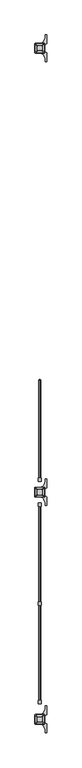
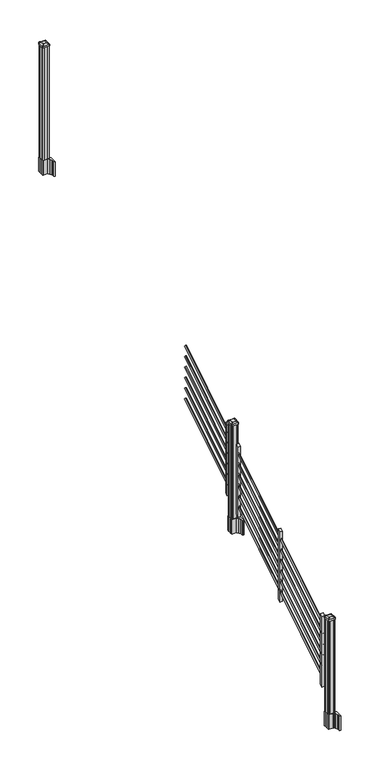
"""IFC4 building model written with IfcOpenShell, lengths in millimetres: railing geometry."""

from ifc_helpers import new_model, si_unit, point, frame, frame_2d, origin, origin_2d, place, context, project, spatial, polyline, circle_curve, trimmed, segment, composite_curve, outline, extrude, source, transform, mapped, element, save
from ifc_brep_helpers import plane_surface, extruded_surface, advanced_brep


def railing_5e5f2923(model_context):
    return source(origin(), model_context, "Body", "SolidModel", [
        extrude(outline(composite_curve([segment(trimmed(circle_curve(origin_2d(), 8.001), [point((0.0, -8.001))], [point((0.0, 8.001))], False, "CARTESIAN"), True, "CONTINUOUS"), segment(trimmed(circle_curve(origin_2d(), 8.001), [point((0.0, 8.001))], [point((0.0, -8.001))], False, "CARTESIAN"), True, "CONTINUOUS")], self_intersect=False)), frame((5940.7759347, -141000.6468453, 1529.9546159), z_axis=(0.0, 0.8479983040051254, 0.5299989400031201), x_axis=(-1.0, 0.0, 0.0)), (0.0, 0.0, 1.0), 868.6338127),
        extrude(outline(composite_curve([segment(trimmed(circle_curve(origin_2d(), 8.001), [point((0.0, -8.001))], [point((0.0, 8.001))], False, "CARTESIAN"), True, "CONTINUOUS"), segment(trimmed(circle_curve(origin_2d(), 8.001), [point((0.0, 8.001))], [point((0.0, -8.001))], False, "CARTESIAN"), True, "CONTINUOUS")], self_intersect=False)), frame((5940.7759347, -141000.6468453, 1641.1445274), z_axis=(0.0, 0.8479983040051253, 0.5299989400031203), x_axis=(-1.0, 0.0, 0.0)), (0.0, 0.0, 1.0), 868.6338127),
        extrude(outline(composite_curve([segment(trimmed(circle_curve(origin_2d(), 8.001), [point((0.0, -8.001))], [point((0.0, 8.001))], False, "CARTESIAN"), True, "CONTINUOUS"), segment(trimmed(circle_curve(origin_2d(), 8.001), [point((0.0, 8.001))], [point((0.0, -8.001))], False, "CARTESIAN"), True, "CONTINUOUS")], self_intersect=False)), frame((5940.7759347, -141000.6468453, 1752.334439), z_axis=(0.0, 0.8479983040051253, 0.5299989400031203), x_axis=(-1.0, 0.0, 0.0)), (0.0, 0.0, 1.0), 868.6338127),
        extrude(outline(composite_curve([segment(trimmed(circle_curve(origin_2d(), 8.001), [point((0.0, -8.001))], [point((0.0, 8.001))], False, "CARTESIAN"), True, "CONTINUOUS"), segment(trimmed(circle_curve(origin_2d(), 8.001), [point((0.0, 8.001))], [point((0.0, -8.001))], False, "CARTESIAN"), True, "CONTINUOUS")], self_intersect=False)), frame((5940.7759347, -141000.6468453, 1863.5243506), z_axis=(0.0, 0.8479983040051253, 0.5299989400031203), x_axis=(-1.0, 0.0, 0.0)), (0.0, 0.0, 1.0), 868.6338127),
        extrude(outline(composite_curve([segment(trimmed(circle_curve(origin_2d(), 8.001), [point((0.0, -8.001))], [point((0.0, 8.001))], False, "CARTESIAN"), True, "CONTINUOUS"), segment(trimmed(circle_curve(origin_2d(), 8.001), [point((0.0, 8.001))], [point((0.0, -8.001))], False, "CARTESIAN"), True, "CONTINUOUS")], self_intersect=False)), frame((5940.7759347, -141000.6468453, 1974.7142622), z_axis=(0.0, 0.8479983040051254, 0.5299989400031202), x_axis=(-1.0, 0.0, 0.0)), (0.0, 0.0, 1.0), 868.6338127),
        extrude(outline(composite_curve([segment(trimmed(circle_curve(origin_2d(), 8.001), [point((0.0, -8.001))], [point((0.0, 8.001))], False, "CARTESIAN"), True, "CONTINUOUS"), segment(trimmed(circle_curve(origin_2d(), 8.001), [point((0.0, 8.001))], [point((0.0, -8.001))], False, "CARTESIAN"), True, "CONTINUOUS")], self_intersect=False)), frame((5940.7759347, -141000.6468453, 2085.9041737), z_axis=(0.0, 0.8479983040051253, 0.5299989400031202), x_axis=(-1.0, 0.0, 0.0)), (0.0, 0.0, 1.0), 868.6338127),
        extrude(outline(polyline([(-140982.8668453, 1439.9853781), (-141008.2668453, 1424.1103781), (-141008.2668453, 2165.0325), (-140982.8668453, 2180.9075), (-140982.8668453, 1439.9853781)])), frame((5927.7657728, 0.0, 0.0), z_axis=(1.0, 0.0, 0.0), x_axis=(0.0, 1.0, 0.0)), (0.0, 0.0, 1.0), 25.4),
        extrude(outline(composite_curve([segment(polyline([(5907.4140228, -141106.1709401), (5907.4140228, -141071.9067504), (5905.8265228, -141071.1447504), (5905.8265228, -141057.6138224), (5909.0407498, -141054.3995953), (5960.7214206, -141054.3995953), (5960.7214206, -141053.4788453), (5956.3710895, -141053.4788453), (5956.3710895, -141052.0245906), (5951.9976348, -141052.0245906), (5951.9976348, -141050.7405668), (5953.664907, -141050.7405668)]), True, "CONTINUOUS"), segment(trimmed(circle_curve(frame_2d((5953.664907, -141033.9973569)), 16.7432099), [point((5953.664907, -141050.7405668))], [point((5970.2870293, -141036.0073636))], True, "CARTESIAN"), True, "CONTINUOUS"), segment(polyline([(5970.2870293, -141036.0073636), (5978.0024736, -141018.9720251)]), True, "CONTINUOUS"), segment(trimmed(circle_curve(frame_2d((5932.9017103, -141002.6999755)), 47.9464123), [point((5978.0024736, -141018.9720251))], [point((5980.8481226, -141002.6999755))], True, "CARTESIAN"), True, "CONTINUOUS"), segment(polyline([(5980.8481226, -141002.6999755), (5980.8481226, -140990.6912359), (5993.0517103, -140990.6912359), (5993.0517103, -141055.9870953), (5975.1050228, -141067.5635116), (5975.1050228, -141071.1447504), (5973.5175228, -141071.9067504), (5973.5175228, -141106.1709401), (5975.1050228, -141106.9329401), (5975.1050228, -141110.514179), (5993.0517103, -141122.0905953), (5993.0517103, -141187.3864547), (5980.8481226, -141187.3864547), (5980.8481226, -141175.3777151)]), True, "CONTINUOUS"), segment(trimmed(circle_curve(frame_2d((5932.9017103, -141175.3777151)), 47.9464123), [point((5980.8481226, -141175.3777151))], [point((5978.0024736, -141159.1056654))], True, "CARTESIAN"), True, "CONTINUOUS"), segment(polyline([(5978.0024736, -141159.1056654), (5970.2870293, -141142.070327)]), True, "CONTINUOUS"), segment(trimmed(circle_curve(frame_2d((5953.664907, -141144.0803337)), 16.7432099), [point((5970.2870293, -141142.070327))], [point((5953.664907, -141127.3371238))], True, "CARTESIAN"), True, "CONTINUOUS"), segment(polyline([(5953.664907, -141127.3371238), (5961.4556192, -141127.3371238), (5961.4556192, -141126.0531), (5956.3710895, -141126.0531), (5956.3710895, -141124.5988453), (5960.7214206, -141124.5988453), (5960.7214206, -141123.6780953), (5909.0407498, -141123.6780953), (5905.8265228, -141120.4638682), (5905.8265228, -141106.9329401), (5907.4140228, -141106.1709401)]), True, "CONTINUOUS")], self_intersect=False), holes=[polyline([(5972.2157728, -141058.8763453), (5970.6282728, -141057.2888453), (5943.2289902, -141057.2888453), (5910.3032728, -141057.2888453), (5908.7157728, -141058.8763453), (5908.7157728, -141119.2013453), (5910.3032728, -141120.7888453), (5943.2289902, -141120.7888453), (5970.6282728, -141120.7888453), (5972.2157728, -141119.2013453), (5972.2157728, -141058.8763453)])]), frame((0.0, 0.0, 1094.74), z_axis=(0.0, 0.0, 1.0), x_axis=(1.0, 0.0, 0.0)), (0.0, 0.0, 1.0), 152.4),
        advanced_brep(
        [(5956.3407728, -141108.0888453, 2260.089263), (5959.5157728, -141104.9138453, 2260.089263), (5959.5157728, -141073.1638453, 2260.089263), (5956.3407728, -141069.9888453, 2260.089263), (5924.5907728, -141069.9888453, 2260.089263), (5921.4157728, -141073.1638453, 2260.089263), (5921.4157728, -141104.9138453, 2260.089263), (5924.5907728, -141108.0888453, 2260.089263), (5972.8507728, -141124.5988453, 2248.786263), (5908.0807728, -141124.5988453, 2248.786263), (5904.9057728, -141121.4238453, 2248.786263), (5904.9057728, -141056.6538453, 2248.786263), (5908.0807728, -141053.4788453, 2248.786263), (5972.8507728, -141053.4788453, 2248.786263), (5976.0257728, -141056.6538453, 2248.786263), (5976.0257728, -141121.4238453, 2248.786263)],
        [
            (0, 1, circle_curve(frame((5956.3407728, -141104.9138453, 2260.089263), z_axis=(0.0, 0.0, 1.0), x_axis=(0.0, 1.0, 0.0)), 3.175)),
            (1, 2),
            (2, 3, circle_curve(frame((5956.3407728, -141073.1638453, 2260.089263), z_axis=(0.0, 0.0, 1.0), x_axis=(0.0, 1.0, 0.0)), 3.175)),
            (3, 4),
            (4, 5, circle_curve(frame((5924.5907728, -141073.1638453, 2260.089263), z_axis=(0.0, 0.0, 1.0), x_axis=(0.0, 1.0, 0.0)), 3.175)),
            (5, 6),
            (6, 7, circle_curve(frame((5924.5907728, -141104.9138453, 2260.089263), z_axis=(0.0, 0.0, 1.0), x_axis=(0.0, 1.0, 0.0)), 3.175)),
            (7, 0),
            (8, 9),
            (9, 10, circle_curve(frame((5908.0807728, -141121.4238453, 2248.786263), z_axis=(0.0, 0.0, -1.0), x_axis=(0.0, 1.0, 0.0)), 3.175)),
            (10, 11),
            (11, 12, circle_curve(frame((5908.0807728, -141056.6538453, 2248.786263), z_axis=(0.0, 0.0, -1.0), x_axis=(0.0, 1.0, 0.0)), 3.175)),
            (12, 13),
            (13, 14, circle_curve(frame((5972.8507728, -141056.6538453, 2248.786263), z_axis=(0.0, 0.0, -1.0), x_axis=(0.0, 1.0, 0.0)), 3.175)),
            (14, 15),
            (15, 8, circle_curve(frame((5972.8507728, -141121.4238453, 2248.786263), z_axis=(0.0, 0.0, -1.0), x_axis=(0.0, 1.0, 0.0)), 3.175)),
            (15, 1),
            (0, 8),
            (14, 2),
            (13, 3),
            (12, 4),
            (11, 5),
            (10, 6),
            (9, 7),
        ],
        [
            plane_surface(frame((5940.4657728, -141089.0388453, 2260.089263), z_axis=(0.0, 0.0, 1.0), x_axis=(1.0, 0.0, 0.0))),
            plane_surface(frame((5940.4657728, -141089.0388453, 2248.786263), z_axis=(0.0, 0.0, -1.0), x_axis=(1.0, 0.0, 0.0))),
            extruded_surface(trimmed(circle_curve(frame((5972.8507728, -141121.4238453, 2248.786263), z_axis=(0.0, 0.0, 1.0), x_axis=(0.0, 1.0, 0.0)), 3.175), [point((5972.8507728, -141124.5988453, 2248.786263))], [point((5976.0257728, -141121.4238453, 2248.786263))], True, "CARTESIAN"), (-16.51000000000022, 16.510000000009313, 11.302999999999884), 25.940663233624388),
            plane_surface(frame((5976.0257728, -141089.0388453, 2248.786263), z_axis=(0.5649114395471265, 0.0, 0.8251515409116033), x_axis=(0.0, 1.0, 0.0))),
            extruded_surface(trimmed(circle_curve(frame((5972.8507728, -141056.6538453, 2248.786263), z_axis=(0.0, 0.0, 1.0), x_axis=(0.0, 1.0, 0.0)), 3.175), [point((5976.0257728, -141056.6538453, 2248.786263))], [point((5972.8507728, -141053.4788453, 2248.786263))], True, "CARTESIAN"), (-16.51000000000022, -16.510000000009313, 11.302999999999884), 25.940663233624388),
            plane_surface(frame((5940.4657728, -141053.4788453, 2248.786263), z_axis=(0.0, 0.564911439547091, 0.8251515409116277), x_axis=(-1.0, 0.0, 0.0))),
            extruded_surface(trimmed(circle_curve(frame((5908.0807728, -141056.6538453, 2248.786263), z_axis=(0.0, 0.0, 1.0), x_axis=(0.0, 1.0, 0.0)), 3.175), [point((5908.0807728, -141053.4788453, 2248.786263))], [point((5904.9057728, -141056.6538453, 2248.786263))], True, "CARTESIAN"), (16.51000000000022, -16.510000000009313, 11.302999999999884), 25.940663233624388),
            plane_surface(frame((5904.9057728, -141089.0388453, 2248.786263), z_axis=(-0.5649114395470569, 0.0, 0.825151540911651), x_axis=(0.0, -1.0, 0.0))),
            extruded_surface(trimmed(circle_curve(frame((5908.0807728, -141121.4238453, 2248.786263), z_axis=(0.0, 0.0, 1.0), x_axis=(0.0, 1.0, 0.0)), 3.175), [point((5904.9057728, -141121.4238453, 2248.786263))], [point((5908.0807728, -141124.5988453, 2248.786263))], True, "CARTESIAN"), (16.51000000000022, 16.510000000009313, 11.302999999999884), 25.940663233624388),
            plane_surface(frame((5940.4657728, -141124.5988453, 2248.786263), z_axis=(0.0, -0.5649114395471048, 0.8251515409116182), x_axis=(1.0, 0.0, 0.0))),
        ],
        [
            (0, [[1, 2, 3, 4, 5, 6, 7, 8]]),
            (1, [[9, 10, 11, 12, 13, 14, 15, 16]]),
            (2, [[-16, 17, -1, 18]]),
            (3, [[-15, 19, -2, -17]]),
            (4, [[-14, 20, -3, -19]]),
            (5, [[-13, 21, -4, -20]]),
            (6, [[-12, 22, -5, -21]]),
            (7, [[-11, 23, -6, -22]]),
            (8, [[-10, 24, -7, -23]]),
            (9, [[-9, -18, -8, -24]]),
        ],
    ),
        extrude(outline(composite_curve([segment(polyline([(5972.8507728, -141124.5988453), (5908.0807728, -141124.5988453)]), True, "CONTINUOUS"), segment(trimmed(circle_curve(frame_2d((5908.0807728, -141121.4238453)), 3.175), [point((5908.0807728, -141124.5988453))], [point((5904.9057728, -141121.4238453))], False, "CARTESIAN"), True, "CONTINUOUS"), segment(polyline([(5904.9057728, -141121.4238453), (5904.9057728, -141056.6538453)]), True, "CONTINUOUS"), segment(trimmed(circle_curve(frame_2d((5908.0807728, -141056.6538453)), 3.175), [point((5904.9057728, -141056.6538453))], [point((5908.0807728, -141053.4788453))], False, "CARTESIAN"), True, "CONTINUOUS"), segment(polyline([(5908.0807728, -141053.4788453), (5972.8507728, -141053.4788453)]), True, "CONTINUOUS"), segment(trimmed(circle_curve(frame_2d((5972.8507728, -141056.6538453)), 3.175), [point((5972.8507728, -141053.4788453))], [point((5976.0257728, -141056.6538453))], False, "CARTESIAN"), True, "CONTINUOUS"), segment(polyline([(5976.0257728, -141056.6538453), (5976.0257728, -141121.4238453)]), True, "CONTINUOUS"), segment(trimmed(circle_curve(frame_2d((5972.8507728, -141121.4238453)), 3.175), [point((5976.0257728, -141121.4238453))], [point((5972.8507728, -141124.5988453))], False, "CARTESIAN"), True, "CONTINUOUS")], self_intersect=False)), frame((0.0, 0.0, 2231.514263), z_axis=(0.0, 0.0, 1.0), x_axis=(1.0, 0.0, 0.0)), (0.0, 0.0, 1.0), 17.272),
        extrude(outline(polyline([(5970.6282728, -141120.7888453), (5960.2777728, -141120.7888453), (5959.5157728, -141119.2013453), (5921.4157728, -141119.2013453), (5920.6537728, -141120.7888453), (5910.3032728, -141120.7888453), (5908.7157728, -141119.2013453), (5908.7157728, -141108.8508453), (5910.3032728, -141108.0888453), (5910.3032728, -141069.9888453), (5908.7157728, -141069.2268453), (5908.7157728, -141058.8763453), (5910.3032728, -141057.2888453), (5920.6537728, -141057.2888453), (5921.4157728, -141058.8763453), (5959.5157728, -141058.8763453), (5960.2777728, -141057.2888453), (5970.6282728, -141057.2888453), (5972.2157728, -141058.8763453), (5972.2157728, -141069.2268453), (5970.6282728, -141069.9888453), (5970.6282728, -141108.0888453), (5972.2157728, -141108.8508453), (5972.2157728, -141119.2013453), (5970.6282728, -141120.7888453)])), frame((0.0, 0.0, 1247.14), z_axis=(0.0, 0.0, 1.0), x_axis=(1.0, 0.0, 0.0)), (0.0, 0.0, 1.0), 984.374263),
        extrude(outline(polyline([(-141169.8108453, 1323.1453781), (-141195.2108453, 1307.2703781), (-141195.2108453, 2048.1925), (-141169.8108453, 2064.0675), (-141169.8108453, 1323.1453781)])), frame((5927.7657728, 0.0, 0.0), z_axis=(1.0, 0.0, 0.0), x_axis=(0.0, 1.0, 0.0)), (0.0, 0.0, 1.0), 25.4),
        extrude(outline(composite_curve([segment(trimmed(circle_curve(origin_2d(), 8.001), [point((0.0, -8.001))], [point((0.0, 8.001))], False, "CARTESIAN"), True, "CONTINUOUS"), segment(trimmed(circle_curve(origin_2d(), 8.001), [point((0.0, 8.001))], [point((0.0, -8.001))], False, "CARTESIAN"), True, "CONTINUOUS")], self_intersect=False)), frame((5940.7759347, -141914.0308453, 959.0896159), z_axis=(0.0, 0.8479983040051254, 0.5299989400031201), x_axis=(-1.0, 0.0, 0.0)), (0.0, 0.0, 1.0), 868.6338127),
        extrude(outline(composite_curve([segment(trimmed(circle_curve(origin_2d(), 8.001), [point((0.0, -8.001))], [point((0.0, 8.001))], False, "CARTESIAN"), True, "CONTINUOUS"), segment(trimmed(circle_curve(origin_2d(), 8.001), [point((0.0, 8.001))], [point((0.0, -8.001))], False, "CARTESIAN"), True, "CONTINUOUS")], self_intersect=False)), frame((5940.7759347, -141914.0308453, 1070.2795274), z_axis=(0.0, 0.8479983040051253, 0.5299989400031203), x_axis=(-1.0, 0.0, 0.0)), (0.0, 0.0, 1.0), 868.6338127),
        extrude(outline(composite_curve([segment(trimmed(circle_curve(origin_2d(), 8.001), [point((0.0, -8.001))], [point((0.0, 8.001))], False, "CARTESIAN"), True, "CONTINUOUS"), segment(trimmed(circle_curve(origin_2d(), 8.001), [point((0.0, 8.001))], [point((0.0, -8.001))], False, "CARTESIAN"), True, "CONTINUOUS")], self_intersect=False)), frame((5940.7759347, -141914.0308453, 1181.469439), z_axis=(0.0, 0.8479983040051253, 0.5299989400031203), x_axis=(-1.0, 0.0, 0.0)), (0.0, 0.0, 1.0), 868.6338127),
        extrude(outline(composite_curve([segment(trimmed(circle_curve(origin_2d(), 8.001), [point((0.0, -8.001))], [point((0.0, 8.001))], False, "CARTESIAN"), True, "CONTINUOUS"), segment(trimmed(circle_curve(origin_2d(), 8.001), [point((0.0, 8.001))], [point((0.0, -8.001))], False, "CARTESIAN"), True, "CONTINUOUS")], self_intersect=False)), frame((5940.7759347, -141914.0308453, 1292.6593506), z_axis=(0.0, 0.8479983040051253, 0.5299989400031203), x_axis=(-1.0, 0.0, 0.0)), (0.0, 0.0, 1.0), 868.6338127),
        extrude(outline(composite_curve([segment(trimmed(circle_curve(origin_2d(), 8.001), [point((0.0, -8.001))], [point((0.0, 8.001))], False, "CARTESIAN"), True, "CONTINUOUS"), segment(trimmed(circle_curve(origin_2d(), 8.001), [point((0.0, 8.001))], [point((0.0, -8.001))], False, "CARTESIAN"), True, "CONTINUOUS")], self_intersect=False)), frame((5940.7759347, -141914.0308453, 1403.8492622), z_axis=(0.0, 0.8479983040051254, 0.5299989400031202), x_axis=(-1.0, 0.0, 0.0)), (0.0, 0.0, 1.0), 868.6338127),
        extrude(outline(composite_curve([segment(trimmed(circle_curve(origin_2d(), 8.001), [point((0.0, -8.001))], [point((0.0, 8.001))], False, "CARTESIAN"), True, "CONTINUOUS"), segment(trimmed(circle_curve(origin_2d(), 8.001), [point((0.0, 8.001))], [point((0.0, -8.001))], False, "CARTESIAN"), True, "CONTINUOUS")], self_intersect=False)), frame((5940.7759347, -141914.0308453, 1515.0391737), z_axis=(0.0, 0.8479983040051253, 0.5299989400031202), x_axis=(-1.0, 0.0, 0.0)), (0.0, 0.0, 1.0), 868.6338127),
        extrude(outline(polyline([(-141896.2508453, 869.1203781), (-141921.6508453, 853.2453781), (-141921.6508453, 1594.1675), (-141896.2508453, 1610.0425), (-141896.2508453, 869.1203781)])), frame((5927.7657728, 0.0, 0.0), z_axis=(1.0, 0.0, 0.0), x_axis=(0.0, 1.0, 0.0)), (0.0, 0.0, 1.0), 25.4),
        extrude(outline(composite_curve([segment(trimmed(circle_curve(origin_2d(), 8.001), [point((0.0, -8.001))], [point((0.0, 8.001))], False, "CARTESIAN"), True, "CONTINUOUS"), segment(trimmed(circle_curve(origin_2d(), 8.001), [point((0.0, 8.001))], [point((0.0, -8.001))], False, "CARTESIAN"), True, "CONTINUOUS")], self_intersect=False)), frame((5940.7759347, -142640.4708453, 505.0646159), z_axis=(0.0, 0.8479983040051254, 0.5299989400031201), x_axis=(-1.0, 0.0, 0.0)), (0.0, 0.0, 1.0), 868.6338127),
        extrude(outline(composite_curve([segment(trimmed(circle_curve(origin_2d(), 8.001), [point((0.0, -8.001))], [point((0.0, 8.001))], False, "CARTESIAN"), True, "CONTINUOUS"), segment(trimmed(circle_curve(origin_2d(), 8.001), [point((0.0, 8.001))], [point((0.0, -8.001))], False, "CARTESIAN"), True, "CONTINUOUS")], self_intersect=False)), frame((5940.7759347, -142640.4708453, 616.2545274), z_axis=(0.0, 0.8479983040051253, 0.5299989400031203), x_axis=(-1.0, 0.0, 0.0)), (0.0, 0.0, 1.0), 868.6338127),
        extrude(outline(composite_curve([segment(trimmed(circle_curve(origin_2d(), 8.001), [point((0.0, -8.001))], [point((0.0, 8.001))], False, "CARTESIAN"), True, "CONTINUOUS"), segment(trimmed(circle_curve(origin_2d(), 8.001), [point((0.0, 8.001))], [point((0.0, -8.001))], False, "CARTESIAN"), True, "CONTINUOUS")], self_intersect=False)), frame((5940.7759347, -142640.4708453, 727.444439), z_axis=(0.0, 0.8479983040051253, 0.5299989400031203), x_axis=(-1.0, 0.0, 0.0)), (0.0, 0.0, 1.0), 868.6338127),
        extrude(outline(composite_curve([segment(trimmed(circle_curve(origin_2d(), 8.001), [point((0.0, -8.001))], [point((0.0, 8.001))], False, "CARTESIAN"), True, "CONTINUOUS"), segment(trimmed(circle_curve(origin_2d(), 8.001), [point((0.0, 8.001))], [point((0.0, -8.001))], False, "CARTESIAN"), True, "CONTINUOUS")], self_intersect=False)), frame((5940.7759347, -142640.4708453, 838.6343506), z_axis=(0.0, 0.8479983040051253, 0.5299989400031203), x_axis=(-1.0, 0.0, 0.0)), (0.0, 0.0, 1.0), 868.6338127),
        extrude(outline(composite_curve([segment(trimmed(circle_curve(origin_2d(), 8.001), [point((0.0, -8.001))], [point((0.0, 8.001))], False, "CARTESIAN"), True, "CONTINUOUS"), segment(trimmed(circle_curve(origin_2d(), 8.001), [point((0.0, 8.001))], [point((0.0, -8.001))], False, "CARTESIAN"), True, "CONTINUOUS")], self_intersect=False)), frame((5940.7759347, -142640.4708453, 949.8242622), z_axis=(0.0, 0.8479983040051254, 0.5299989400031202), x_axis=(-1.0, 0.0, 0.0)), (0.0, 0.0, 1.0), 868.6338127),
        extrude(outline(composite_curve([segment(trimmed(circle_curve(origin_2d(), 8.001), [point((0.0, -8.001))], [point((0.0, 8.001))], False, "CARTESIAN"), True, "CONTINUOUS"), segment(trimmed(circle_curve(origin_2d(), 8.001), [point((0.0, 8.001))], [point((0.0, -8.001))], False, "CARTESIAN"), True, "CONTINUOUS")], self_intersect=False)), frame((5940.7759347, -142640.4708453, 1061.0141737), z_axis=(0.0, 0.8479983040051253, 0.5299989400031202), x_axis=(-1.0, 0.0, 0.0)), (0.0, 0.0, 1.0), 868.6338127),
        extrude(outline(polyline([(-142622.6908453, 415.0953781), (-142648.0908453, 399.2203781), (-142648.0908453, 1140.1425), (-142622.6908453, 1156.0175), (-142622.6908453, 415.0953781)])), frame((5927.7657728, 0.0, 0.0), z_axis=(1.0, 0.0, 0.0), x_axis=(0.0, 1.0, 0.0)), (0.0, 0.0, 1.0), 25.4),
        extrude(outline(composite_curve([segment(polyline([(5907.4140228, -137837.4449401), (5907.4140228, -137803.1807504), (5905.8265228, -137802.4187504), (5905.8265228, -137788.8878224), (5909.0407498, -137785.6735953), (5960.7214206, -137785.6735953), (5960.7214206, -137784.7528453), (5956.3710895, -137784.7528453), (5956.3710895, -137783.2985906), (5951.9976348, -137783.2985906), (5951.9976348, -137782.0145668), (5953.664907, -137782.0145668)]), True, "CONTINUOUS"), segment(trimmed(circle_curve(frame_2d((5953.664907, -137765.2713569)), 16.7432099), [point((5953.664907, -137782.0145668))], [point((5970.2870293, -137767.2813636))], True, "CARTESIAN"), True, "CONTINUOUS"), segment(polyline([(5970.2870293, -137767.2813636), (5978.0024736, -137750.2460251)]), True, "CONTINUOUS"), segment(trimmed(circle_curve(frame_2d((5932.9017103, -137733.9739755)), 47.9464123), [point((5978.0024736, -137750.2460251))], [point((5980.8481226, -137733.9739755))], True, "CARTESIAN"), True, "CONTINUOUS"), segment(polyline([(5980.8481226, -137733.9739755), (5980.8481226, -137721.9652359), (5993.0517103, -137721.9652359), (5993.0517103, -137787.2610953), (5975.1050228, -137798.8375116), (5975.1050228, -137802.4187504), (5973.5175228, -137803.1807504), (5973.5175228, -137837.4449401), (5975.1050228, -137838.2069401), (5975.1050228, -137841.788179), (5993.0517103, -137853.3645953), (5993.0517103, -137918.6604547), (5980.8481226, -137918.6604547), (5980.8481226, -137906.6517151)]), True, "CONTINUOUS"), segment(trimmed(circle_curve(frame_2d((5932.9017103, -137906.6517151)), 47.9464123), [point((5980.8481226, -137906.6517151))], [point((5978.0024736, -137890.3796654))], True, "CARTESIAN"), True, "CONTINUOUS"), segment(polyline([(5978.0024736, -137890.3796654), (5970.2870293, -137873.344327)]), True, "CONTINUOUS"), segment(trimmed(circle_curve(frame_2d((5953.664907, -137875.3543337)), 16.7432099), [point((5970.2870293, -137873.344327))], [point((5953.664907, -137858.6111238))], True, "CARTESIAN"), True, "CONTINUOUS"), segment(polyline([(5953.664907, -137858.6111238), (5961.4556192, -137858.6111238), (5961.4556192, -137857.3271), (5956.3710895, -137857.3271), (5956.3710895, -137855.8728453), (5960.7214206, -137855.8728453), (5960.7214206, -137854.9520953), (5909.0407498, -137854.9520953), (5905.8265228, -137851.7378682), (5905.8265228, -137838.2069401), (5907.4140228, -137837.4449401)]), True, "CONTINUOUS")], self_intersect=False), holes=[polyline([(5972.2157728, -137790.1503453), (5970.6282728, -137788.5628453), (5943.2289902, -137788.5628453), (5910.3032728, -137788.5628453), (5908.7157728, -137790.1503453), (5908.7157728, -137850.4753453), (5910.3032728, -137852.0628453), (5943.2289902, -137852.0628453), (5970.6282728, -137852.0628453), (5972.2157728, -137850.4753453), (5972.2157728, -137790.1503453)])]), frame((0.0, 0.0, 2895.6), z_axis=(0.0, 0.0, 1.0), x_axis=(1.0, 0.0, 0.0)), (0.0, 0.0, 1.0), 152.4),
        advanced_brep(
        [(5956.3407728, -137839.3628453, 4264.149263), (5959.5157728, -137836.1878453, 4264.149263), (5959.5157728, -137804.4378453, 4264.149263), (5956.3407728, -137801.2628453, 4264.149263), (5924.5907728, -137801.2628453, 4264.149263), (5921.4157728, -137804.4378453, 4264.149263), (5921.4157728, -137836.1878453, 4264.149263), (5924.5907728, -137839.3628453, 4264.149263), (5972.8507728, -137855.8728453, 4252.846263), (5908.0807728, -137855.8728453, 4252.846263), (5904.9057728, -137852.6978453, 4252.846263), (5904.9057728, -137787.9278453, 4252.846263), (5908.0807728, -137784.7528453, 4252.846263), (5972.8507728, -137784.7528453, 4252.846263), (5976.0257728, -137787.9278453, 4252.846263), (5976.0257728, -137852.6978453, 4252.846263)],
        [
            (0, 1, circle_curve(frame((5956.3407728, -137836.1878453, 4264.149263), z_axis=(0.0, 0.0, 1.0), x_axis=(0.0, 1.0, 0.0)), 3.175)),
            (1, 2),
            (2, 3, circle_curve(frame((5956.3407728, -137804.4378453, 4264.149263), z_axis=(0.0, 0.0, 1.0), x_axis=(0.0, 1.0, 0.0)), 3.175)),
            (3, 4),
            (4, 5, circle_curve(frame((5924.5907728, -137804.4378453, 4264.149263), z_axis=(0.0, 0.0, 1.0), x_axis=(0.0, 1.0, 0.0)), 3.175)),
            (5, 6),
            (6, 7, circle_curve(frame((5924.5907728, -137836.1878453, 4264.149263), z_axis=(0.0, 0.0, 1.0), x_axis=(0.0, 1.0, 0.0)), 3.175)),
            (7, 0),
            (8, 9),
            (9, 10, circle_curve(frame((5908.0807728, -137852.6978453, 4252.846263), z_axis=(0.0, 0.0, -1.0), x_axis=(0.0, 1.0, 0.0)), 3.175)),
            (10, 11),
            (11, 12, circle_curve(frame((5908.0807728, -137787.9278453, 4252.846263), z_axis=(0.0, 0.0, -1.0), x_axis=(0.0, 1.0, 0.0)), 3.175)),
            (12, 13),
            (13, 14, circle_curve(frame((5972.8507728, -137787.9278453, 4252.846263), z_axis=(0.0, 0.0, -1.0), x_axis=(0.0, 1.0, 0.0)), 3.175)),
            (14, 15),
            (15, 8, circle_curve(frame((5972.8507728, -137852.6978453, 4252.846263), z_axis=(0.0, 0.0, -1.0), x_axis=(0.0, 1.0, 0.0)), 3.175)),
            (15, 1),
            (0, 8),
            (14, 2),
            (13, 3),
            (12, 4),
            (11, 5),
            (10, 6),
            (9, 7),
        ],
        [
            plane_surface(frame((5940.4657728, -137820.3128453, 4264.149263), z_axis=(0.0, 0.0, 1.0), x_axis=(1.0, 0.0, 0.0))),
            plane_surface(frame((5940.4657728, -137820.3128453, 4252.846263), z_axis=(0.0, 0.0, -1.0), x_axis=(1.0, 0.0, 0.0))),
            extruded_surface(trimmed(circle_curve(frame((5972.8507728, -137852.6978453, 4252.846263), z_axis=(0.0, 0.0, 1.0), x_axis=(0.0, 1.0, 0.0)), 3.175), [point((5972.8507728, -137855.8728453, 4252.846263))], [point((5976.0257728, -137852.6978453, 4252.846263))], True, "CARTESIAN"), (-16.51000000000022, 16.50999999998021, 11.302999999999884), 25.940663233605864),
            plane_surface(frame((5976.0257728, -137820.3128453, 4252.846263), z_axis=(0.5649114395471265, 0.0, 0.8251515409116033), x_axis=(0.0, 1.0, 0.0))),
            extruded_surface(trimmed(circle_curve(frame((5972.8507728, -137787.9278453, 4252.846263), z_axis=(0.0, 0.0, 1.0), x_axis=(0.0, 1.0, 0.0)), 3.175), [point((5976.0257728, -137787.9278453, 4252.846263))], [point((5972.8507728, -137784.7528453, 4252.846263))], True, "CARTESIAN"), (-16.51000000000022, -16.510000000009313, 11.302999999999884), 25.940663233624388),
            plane_surface(frame((5940.4657728, -137784.7528453, 4252.846263), z_axis=(0.0, 0.564911439547091, 0.8251515409116277), x_axis=(-1.0, 0.0, 0.0))),
            extruded_surface(trimmed(circle_curve(frame((5908.0807728, -137787.9278453, 4252.846263), z_axis=(0.0, 0.0, 1.0), x_axis=(0.0, 1.0, 0.0)), 3.175), [point((5908.0807728, -137784.7528453, 4252.846263))], [point((5904.9057728, -137787.9278453, 4252.846263))], True, "CARTESIAN"), (16.51000000000022, -16.510000000009313, 11.302999999999884), 25.940663233624388),
            plane_surface(frame((5904.9057728, -137820.3128453, 4252.846263), z_axis=(-0.5649114395470568, 0.0, 0.8251515409116511), x_axis=(0.0, -1.0, 0.0))),
            extruded_surface(trimmed(circle_curve(frame((5908.0807728, -137852.6978453, 4252.846263), z_axis=(0.0, 0.0, 1.0), x_axis=(0.0, 1.0, 0.0)), 3.175), [point((5904.9057728, -137852.6978453, 4252.846263))], [point((5908.0807728, -137855.8728453, 4252.846263))], True, "CARTESIAN"), (16.51000000000022, 16.50999999998021, 11.302999999999884), 25.940663233605864),
            plane_surface(frame((5940.4657728, -137855.8728453, 4252.846263), z_axis=(0.0, -0.5649114395471048, 0.8251515409116182), x_axis=(1.0, 0.0, 0.0))),
        ],
        [
            (0, [[1, 2, 3, 4, 5, 6, 7, 8]]),
            (1, [[9, 10, 11, 12, 13, 14, 15, 16]]),
            (2, [[-16, 17, -1, 18]]),
            (3, [[-15, 19, -2, -17]]),
            (4, [[-14, 20, -3, -19]]),
            (5, [[-13, 21, -4, -20]]),
            (6, [[-12, 22, -5, -21]]),
            (7, [[-11, 23, -6, -22]]),
            (8, [[-10, 24, -7, -23]]),
            (9, [[-9, -18, -8, -24]]),
        ],
    ),
        extrude(outline(composite_curve([segment(polyline([(5972.8507728, -137855.8728453), (5908.0807728, -137855.8728453)]), True, "CONTINUOUS"), segment(trimmed(circle_curve(frame_2d((5908.0807728, -137852.6978453)), 3.175), [point((5908.0807728, -137855.8728453))], [point((5904.9057728, -137852.6978453))], False, "CARTESIAN"), True, "CONTINUOUS"), segment(polyline([(5904.9057728, -137852.6978453), (5904.9057728, -137787.9278453)]), True, "CONTINUOUS"), segment(trimmed(circle_curve(frame_2d((5908.0807728, -137787.9278453)), 3.175), [point((5904.9057728, -137787.9278453))], [point((5908.0807728, -137784.7528453))], False, "CARTESIAN"), True, "CONTINUOUS"), segment(polyline([(5908.0807728, -137784.7528453), (5972.8507728, -137784.7528453)]), True, "CONTINUOUS"), segment(trimmed(circle_curve(frame_2d((5972.8507728, -137787.9278453)), 3.175), [point((5972.8507728, -137784.7528453))], [point((5976.0257728, -137787.9278453))], False, "CARTESIAN"), True, "CONTINUOUS"), segment(polyline([(5976.0257728, -137787.9278453), (5976.0257728, -137852.6978453)]), True, "CONTINUOUS"), segment(trimmed(circle_curve(frame_2d((5972.8507728, -137852.6978453)), 3.175), [point((5976.0257728, -137852.6978453))], [point((5972.8507728, -137855.8728453))], False, "CARTESIAN"), True, "CONTINUOUS")], self_intersect=False)), frame((0.0, 0.0, 4235.574263), z_axis=(0.0, 0.0, 1.0), x_axis=(1.0, 0.0, 0.0)), (0.0, 0.0, 1.0), 17.272),
        extrude(outline(polyline([(5970.6282728, -137852.0628453), (5960.2777728, -137852.0628453), (5959.5157728, -137850.4753453), (5921.4157728, -137850.4753453), (5920.6537728, -137852.0628453), (5910.3032728, -137852.0628453), (5908.7157728, -137850.4753453), (5908.7157728, -137840.1248453), (5910.3032728, -137839.3628453), (5910.3032728, -137801.2628453), (5908.7157728, -137800.5008453), (5908.7157728, -137790.1503453), (5910.3032728, -137788.5628453), (5920.6537728, -137788.5628453), (5921.4157728, -137790.1503453), (5959.5157728, -137790.1503453), (5960.2777728, -137788.5628453), (5970.6282728, -137788.5628453), (5972.2157728, -137790.1503453), (5972.2157728, -137800.5008453), (5970.6282728, -137801.2628453), (5970.6282728, -137839.3628453), (5972.2157728, -137840.1248453), (5972.2157728, -137850.4753453), (5970.6282728, -137852.0628453)])), frame((0.0, 0.0, 3048.0), z_axis=(0.0, 0.0, 1.0), x_axis=(1.0, 0.0, 0.0)), (0.0, 0.0, 1.0), 1187.574263),
        extrude(outline(composite_curve([segment(polyline([(5907.4140228, -142777.7449401), (5907.4140228, -142743.4807504), (5905.8265228, -142742.7187504), (5905.8265228, -142729.1878224), (5909.0407498, -142725.9735953), (5960.7214206, -142725.9735953), (5960.7214206, -142725.0528453), (5956.3710895, -142725.0528453), (5956.3710895, -142723.5985906), (5951.9976348, -142723.5985906), (5951.9976348, -142722.3145668), (5953.664907, -142722.3145668)]), True, "CONTINUOUS"), segment(trimmed(circle_curve(frame_2d((5953.664907, -142705.5713569)), 16.7432099), [point((5953.664907, -142722.3145668))], [point((5970.2870293, -142707.5813636))], True, "CARTESIAN"), True, "CONTINUOUS"), segment(polyline([(5970.2870293, -142707.5813636), (5978.0024736, -142690.5460251)]), True, "CONTINUOUS"), segment(trimmed(circle_curve(frame_2d((5932.9017103, -142674.2739755)), 47.9464123), [point((5978.0024736, -142690.5460251))], [point((5980.8481226, -142674.2739755))], True, "CARTESIAN"), True, "CONTINUOUS"), segment(polyline([(5980.8481226, -142674.2739755), (5980.8481226, -142662.2652359), (5993.0517103, -142662.2652359), (5993.0517103, -142727.5610953), (5975.1050228, -142739.1375116), (5975.1050228, -142742.7187504), (5973.5175228, -142743.4807504), (5973.5175228, -142777.7449401), (5975.1050228, -142778.5069401), (5975.1050228, -142782.088179), (5993.0517103, -142793.6645953), (5993.0517103, -142858.9604547), (5980.8481226, -142858.9604547), (5980.8481226, -142846.9517151)]), True, "CONTINUOUS"), segment(trimmed(circle_curve(frame_2d((5932.9017103, -142846.9517151)), 47.9464123), [point((5980.8481226, -142846.9517151))], [point((5978.0024736, -142830.6796654))], True, "CARTESIAN"), True, "CONTINUOUS"), segment(polyline([(5978.0024736, -142830.6796654), (5970.2870293, -142813.644327)]), True, "CONTINUOUS"), segment(trimmed(circle_curve(frame_2d((5953.664907, -142815.6543337)), 16.7432099), [point((5970.2870293, -142813.644327))], [point((5953.664907, -142798.9111238))], True, "CARTESIAN"), True, "CONTINUOUS"), segment(polyline([(5953.664907, -142798.9111238), (5961.4556192, -142798.9111238), (5961.4556192, -142797.6271), (5956.3710895, -142797.6271), (5956.3710895, -142796.1728453), (5960.7214206, -142796.1728453), (5960.7214206, -142795.2520953), (5909.0407498, -142795.2520953), (5905.8265228, -142792.0378682), (5905.8265228, -142778.5069401), (5907.4140228, -142777.7449401)]), True, "CONTINUOUS")], self_intersect=False), holes=[polyline([(5972.2157728, -142730.4503453), (5970.6282728, -142728.8628453), (5943.2289902, -142728.8628453), (5910.3032728, -142728.8628453), (5908.7157728, -142730.4503453), (5908.7157728, -142790.7753453), (5910.3032728, -142792.3628453), (5943.2289902, -142792.3628453), (5970.6282728, -142792.3628453), (5972.2157728, -142790.7753453), (5972.2157728, -142730.4503453)])]), frame((0.0, 0.0, 50.00625), z_axis=(0.0, 0.0, 1.0), x_axis=(1.0, 0.0, 0.0)), (0.0, 0.0, 1.0), 152.4),
        advanced_brep(
        [(5956.3407728, -142779.6628453, 1215.355513), (5959.5157728, -142776.4878453, 1215.355513), (5959.5157728, -142744.7378453, 1215.355513), (5956.3407728, -142741.5628453, 1215.355513), (5924.5907728, -142741.5628453, 1215.355513), (5921.4157728, -142744.7378453, 1215.355513), (5921.4157728, -142776.4878453, 1215.355513), (5924.5907728, -142779.6628453, 1215.355513), (5972.8507728, -142796.1728453, 1204.052513), (5908.0807728, -142796.1728453, 1204.052513), (5904.9057728, -142792.9978453, 1204.052513), (5904.9057728, -142728.2278453, 1204.052513), (5908.0807728, -142725.0528453, 1204.052513), (5972.8507728, -142725.0528453, 1204.052513), (5976.0257728, -142728.2278453, 1204.052513), (5976.0257728, -142792.9978453, 1204.052513)],
        [
            (0, 1, circle_curve(frame((5956.3407728, -142776.4878453, 1215.355513), z_axis=(0.0, 0.0, 1.0), x_axis=(0.0, 1.0, 0.0)), 3.175)),
            (1, 2),
            (2, 3, circle_curve(frame((5956.3407728, -142744.7378453, 1215.355513), z_axis=(0.0, 0.0, 1.0), x_axis=(0.0, 1.0, 0.0)), 3.175)),
            (3, 4),
            (4, 5, circle_curve(frame((5924.5907728, -142744.7378453, 1215.355513), z_axis=(0.0, 0.0, 1.0), x_axis=(0.0, 1.0, 0.0)), 3.175)),
            (5, 6),
            (6, 7, circle_curve(frame((5924.5907728, -142776.4878453, 1215.355513), z_axis=(0.0, 0.0, 1.0), x_axis=(0.0, 1.0, 0.0)), 3.175)),
            (7, 0),
            (8, 9),
            (9, 10, circle_curve(frame((5908.0807728, -142792.9978453, 1204.052513), z_axis=(0.0, 0.0, -1.0), x_axis=(0.0, 1.0, 0.0)), 3.175)),
            (10, 11),
            (11, 12, circle_curve(frame((5908.0807728, -142728.2278453, 1204.052513), z_axis=(0.0, 0.0, -1.0), x_axis=(0.0, 1.0, 0.0)), 3.175)),
            (12, 13),
            (13, 14, circle_curve(frame((5972.8507728, -142728.2278453, 1204.052513), z_axis=(0.0, 0.0, -1.0), x_axis=(0.0, 1.0, 0.0)), 3.175)),
            (14, 15),
            (15, 8, circle_curve(frame((5972.8507728, -142792.9978453, 1204.052513), z_axis=(0.0, 0.0, -1.0), x_axis=(0.0, 1.0, 0.0)), 3.175)),
            (15, 1),
            (0, 8),
            (14, 2),
            (13, 3),
            (12, 4),
            (11, 5),
            (10, 6),
            (9, 7),
        ],
        [
            plane_surface(frame((5940.4657728, -142760.6128453, 1215.355513), z_axis=(0.0, 0.0, 1.0), x_axis=(1.0, 0.0, 0.0))),
            plane_surface(frame((5940.4657728, -142760.6128453, 1204.052513), z_axis=(0.0, 0.0, -1.0), x_axis=(1.0, 0.0, 0.0))),
            extruded_surface(trimmed(circle_curve(frame((5972.8507728, -142792.9978453, 1204.052513), z_axis=(0.0, 0.0, 1.0), x_axis=(0.0, 1.0, 0.0)), 3.175), [point((5972.8507728, -142796.1728453, 1204.052513))], [point((5976.0257728, -142792.9978453, 1204.052513))], True, "CARTESIAN"), (-16.51000000000022, 16.510000000009313, 11.302999999999884), 25.940663233624388),
            plane_surface(frame((5976.0257728, -142760.6128453, 1204.052513), z_axis=(0.5649114395471265, 0.0, 0.8251515409116033), x_axis=(0.0, 1.0, 0.0))),
            extruded_surface(trimmed(circle_curve(frame((5972.8507728, -142728.2278453, 1204.052513), z_axis=(0.0, 0.0, 1.0), x_axis=(0.0, 1.0, 0.0)), 3.175), [point((5976.0257728, -142728.2278453, 1204.052513))], [point((5972.8507728, -142725.0528453, 1204.052513))], True, "CARTESIAN"), (-16.51000000000022, -16.510000000009313, 11.302999999999884), 25.940663233624388),
            plane_surface(frame((5940.4657728, -142725.0528453, 1204.052513), z_axis=(0.0, 0.564911439547091, 0.8251515409116277), x_axis=(-1.0, 0.0, 0.0))),
            extruded_surface(trimmed(circle_curve(frame((5908.0807728, -142728.2278453, 1204.052513), z_axis=(0.0, 0.0, 1.0), x_axis=(0.0, 1.0, 0.0)), 3.175), [point((5908.0807728, -142725.0528453, 1204.052513))], [point((5904.9057728, -142728.2278453, 1204.052513))], True, "CARTESIAN"), (16.51000000000022, -16.510000000009313, 11.302999999999884), 25.940663233624388),
            plane_surface(frame((5904.9057728, -142760.6128453, 1204.052513), z_axis=(-0.5649114395470569, 0.0, 0.825151540911651), x_axis=(0.0, -1.0, 0.0))),
            extruded_surface(trimmed(circle_curve(frame((5908.0807728, -142792.9978453, 1204.052513), z_axis=(0.0, 0.0, 1.0), x_axis=(0.0, 1.0, 0.0)), 3.175), [point((5904.9057728, -142792.9978453, 1204.052513))], [point((5908.0807728, -142796.1728453, 1204.052513))], True, "CARTESIAN"), (16.51000000000022, 16.510000000009313, 11.302999999999884), 25.940663233624388),
            plane_surface(frame((5940.4657728, -142796.1728453, 1204.052513), z_axis=(0.0, -0.5649114395471048, 0.8251515409116182), x_axis=(1.0, 0.0, 0.0))),
        ],
        [
            (0, [[1, 2, 3, 4, 5, 6, 7, 8]]),
            (1, [[9, 10, 11, 12, 13, 14, 15, 16]]),
            (2, [[-16, 17, -1, 18]]),
            (3, [[-15, 19, -2, -17]]),
            (4, [[-14, 20, -3, -19]]),
            (5, [[-13, 21, -4, -20]]),
            (6, [[-12, 22, -5, -21]]),
            (7, [[-11, 23, -6, -22]]),
            (8, [[-10, 24, -7, -23]]),
            (9, [[-9, -18, -8, -24]]),
        ],
    ),
        extrude(outline(composite_curve([segment(polyline([(5972.8507728, -142796.1728453), (5908.0807728, -142796.1728453)]), True, "CONTINUOUS"), segment(trimmed(circle_curve(frame_2d((5908.0807728, -142792.9978453)), 3.175), [point((5908.0807728, -142796.1728453))], [point((5904.9057728, -142792.9978453))], False, "CARTESIAN"), True, "CONTINUOUS"), segment(polyline([(5904.9057728, -142792.9978453), (5904.9057728, -142728.2278453)]), True, "CONTINUOUS"), segment(trimmed(circle_curve(frame_2d((5908.0807728, -142728.2278453)), 3.175), [point((5904.9057728, -142728.2278453))], [point((5908.0807728, -142725.0528453))], False, "CARTESIAN"), True, "CONTINUOUS"), segment(polyline([(5908.0807728, -142725.0528453), (5972.8507728, -142725.0528453)]), True, "CONTINUOUS"), segment(trimmed(circle_curve(frame_2d((5972.8507728, -142728.2278453)), 3.175), [point((5972.8507728, -142725.0528453))], [point((5976.0257728, -142728.2278453))], False, "CARTESIAN"), True, "CONTINUOUS"), segment(polyline([(5976.0257728, -142728.2278453), (5976.0257728, -142792.9978453)]), True, "CONTINUOUS"), segment(trimmed(circle_curve(frame_2d((5972.8507728, -142792.9978453)), 3.175), [point((5976.0257728, -142792.9978453))], [point((5972.8507728, -142796.1728453))], False, "CARTESIAN"), True, "CONTINUOUS")], self_intersect=False)), frame((0.0, 0.0, 1186.780513), z_axis=(0.0, 0.0, 1.0), x_axis=(1.0, 0.0, 0.0)), (0.0, 0.0, 1.0), 17.272),
        extrude(outline(polyline([(5970.6282728, -142792.3628453), (5960.2777728, -142792.3628453), (5959.5157728, -142790.7753453), (5921.4157728, -142790.7753453), (5920.6537728, -142792.3628453), (5910.3032728, -142792.3628453), (5908.7157728, -142790.7753453), (5908.7157728, -142780.4248453), (5910.3032728, -142779.6628453), (5910.3032728, -142741.5628453), (5908.7157728, -142740.8008453), (5908.7157728, -142730.4503453), (5910.3032728, -142728.8628453), (5920.6537728, -142728.8628453), (5921.4157728, -142730.4503453), (5959.5157728, -142730.4503453), (5960.2777728, -142728.8628453), (5970.6282728, -142728.8628453), (5972.2157728, -142730.4503453), (5972.2157728, -142740.8008453), (5970.6282728, -142741.5628453), (5970.6282728, -142779.6628453), (5972.2157728, -142780.4248453), (5972.2157728, -142790.7753453), (5970.6282728, -142792.3628453)])), frame((0.0, 0.0, 202.40625), z_axis=(0.0, 0.0, 1.0), x_axis=(1.0, 0.0, 0.0)), (0.0, 0.0, 1.0), 984.374263),
    ])


if __name__ == "__main__":
    model = new_model("IFC4")
    model_context = context("Model", 3, world=origin())
    ifc_project = project(units=[si_unit("LENGTHUNIT", "METRE", prefix="MILLI")], contexts=[model_context])
    site = spatial("IfcSite", under=ifc_project)
    building = spatial("IfcBuilding", under=site)
    placement = place(None, origin())
    railing_shape = railing_5e5f2923(model_context)
    element("IfcRailing", 1, at=placement, inside=building, context=model_context, shape_type="MappedRepresentation", body=[
        mapped(railing_shape, transform((0.0, 0.0, 0.0), x_axis=(1.0, 0.0, 0.0), y_axis=(0.0, 1.0, 0.0), z_axis=(0.0, 0.0, 1.0))),
    ])
    save(model, "model.ifc")
